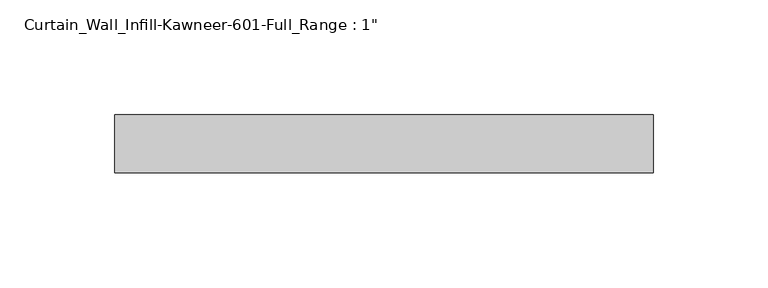
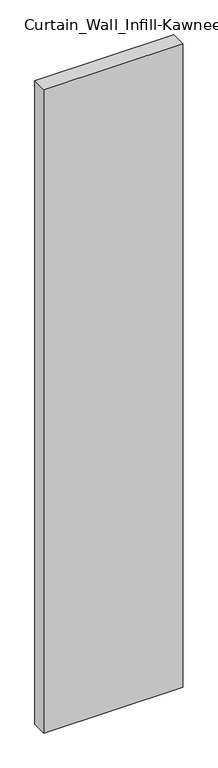
"""IFC4 building model written with IfcOpenShell, lengths in millimetres: plate geometry."""

from ifc_helpers import new_model, si_unit, origin, origin_with_axes, place, context, project, spatial, polyline, outline, extrude, source, transform, mapped, element, save


def plate_87300494(model_context):
    return source(origin(), model_context, "Body", "SweptSolid", [
        extrude(outline(polyline([(-117.475, 12.7), (117.475, 12.7), (117.475, -12.7), (-117.475, -12.7), (-117.475, 12.7)])), origin_with_axes(), (0.0, 0.0, 1.0), 1149.35),
    ])


if __name__ == "__main__":
    model = new_model("IFC4")
    model_context = context("Model", 3, world=origin())
    ifc_project = project(units=[si_unit("LENGTHUNIT", "METRE", prefix="MILLI")], contexts=[model_context])
    site = spatial("IfcSite", under=ifc_project)
    building = spatial("IfcBuilding", under=site)
    placement = place(None, origin())
    plate_shape = plate_87300494(model_context)
    element("IfcPlate", 1, ObjectType="Curtain_Wall_Infill-Kawneer-601-Full_Range : 1\"", at=placement, inside=building, context=model_context, shape_type="MappedRepresentation", body=[
        mapped(plate_shape, transform((0.0, 0.0, 0.0), x_axis=(1.0, 0.0, 0.0), y_axis=(0.0, 1.0, 0.0), z_axis=(0.0, 0.0, 1.0))),
    ])
    save(model, "model.ifc")
